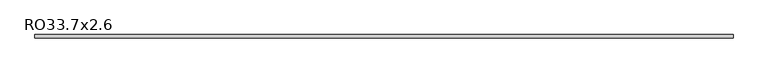
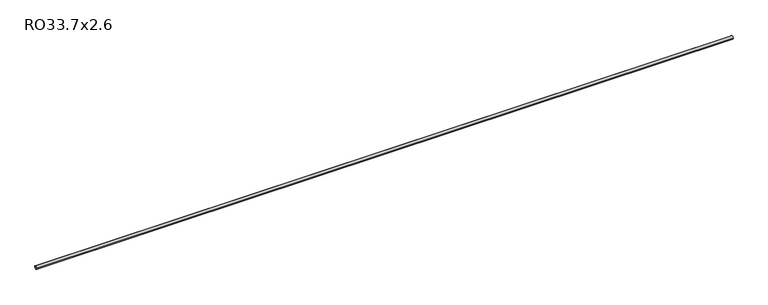
"""IFC4 building model written with IfcOpenShell, lengths in millimetres: beam geometry, RO33.7x2.6."""

from ifc_helpers import new_model, si_unit, point, frame, origin, origin_2d, place, context, project, spatial, circle_curve, trimmed, segment, composite_curve, outline, extrude, source, transform, mapped, element, save


def ro33_7x2_6_eded27b4(model_context):
    return source(origin(), model_context, "Body", "SweptSolid", [
        extrude(outline(composite_curve([segment(trimmed(circle_curve(origin_2d(), 16.85), [point((16.85, 0.0))], [point((-16.85, 0.0))], False, "CARTESIAN"), True, "CONTINUOUS"), segment(trimmed(circle_curve(origin_2d(), 16.85), [point((-16.85, 0.0))], [point((16.85, 0.0))], False, "CARTESIAN"), True, "CONTINUOUS")], self_intersect=False), holes=[composite_curve([segment(trimmed(circle_curve(origin_2d(), 14.25), [point((-14.25, 0.0))], [point((14.25, 0.0))], True, "CARTESIAN"), True, "CONTINUOUS"), segment(trimmed(circle_curve(origin_2d(), 14.25), [point((14.25, 0.0))], [point((-14.25, 0.0))], True, "CARTESIAN"), True, "CONTINUOUS")], self_intersect=False)]), frame((-3691.2, 0.0, 0.0), z_axis=(1.0, 0.0, 0.0), x_axis=(0.0, 1.0, 0.0)), (0.0, 0.0, 1.0), 7385.5),
    ])


if __name__ == "__main__":
    model = new_model("IFC4")
    model_context = context("Model", 3, world=origin())
    ifc_project = project(units=[si_unit("LENGTHUNIT", "METRE", prefix="MILLI")], contexts=[model_context])
    site = spatial("IfcSite", under=ifc_project)
    building = spatial("IfcBuilding", under=site)
    placement = place(None, origin())
    ro33_7x2_6_shape = ro33_7x2_6_eded27b4(model_context)
    element("IfcBeam", 1, ObjectType="RO33.7x2.6", at=placement, inside=building, context=model_context, shape_type="MappedRepresentation", body=[
        mapped(ro33_7x2_6_shape, transform((0.0, 0.0, 0.0), x_axis=(1.0, 0.0, 0.0), y_axis=(0.0, 1.0, 0.0), z_axis=(0.0, 0.0, 1.0))),
    ])
    save(model, "model.ifc")
